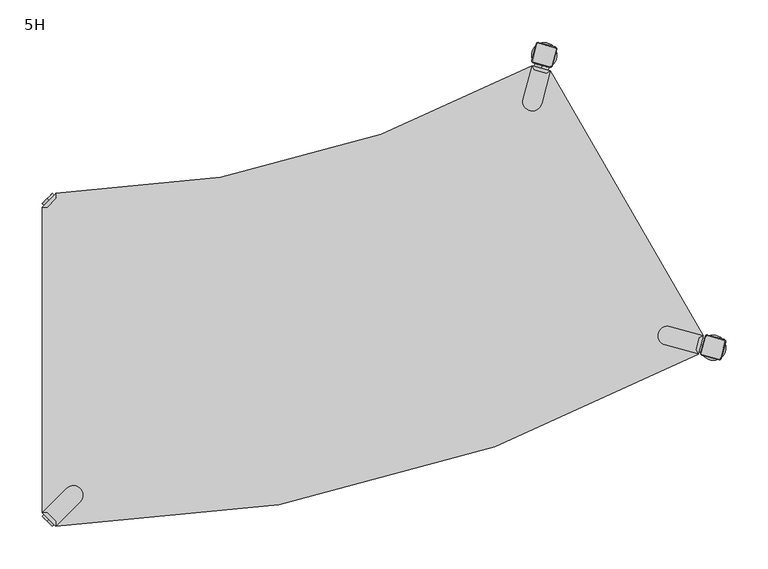
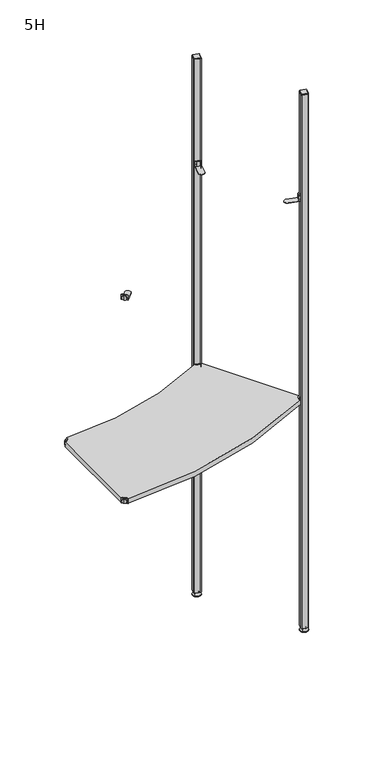
"""IFC4 building model written with IfcOpenShell, lengths in millimetres: furniture geometry, 5H."""

from ifc_helpers import new_model, si_unit, point, frame, frame_2d, origin, place, context, project, spatial, polyline, circle_curve, trimmed, segment, composite_curve, outline, extrude, source, transform, mapped, element, save
from ifc_brep_helpers import plane_surface, cylinder_surface, revolved_surface, advanced_brep


def furniture_5h_e8f38e4f(model_context):
    return source(origin(), model_context, "Body", "SolidModel", [
        advanced_brep(
        [(784.3573865, 207.0864775, 0.0), (810.3381486, 222.0864775, 0.0), (797.3477675, 214.5864775, 0.0), (784.3573865, 207.0864775, 2.0), (810.3381486, 222.0864775, 2.0), (790.4195643, 210.5864775, 9.0), (804.2759707, 218.5864775, 9.0), (793.8836659, 212.5864775, 9.0), (800.8118691, 216.5864775, 9.0), (793.8836659, 212.5864775, 15.0), (800.8118691, 216.5864775, 15.0), (797.3477675, 214.5864775, 15.0)],
        [
            (0, 1, circle_curve(frame((797.3477675, 214.5864775, 0.0), z_axis=(0.0, 0.0, -1.0), x_axis=(0.8660254037844338, 0.5000000000000082, 0.0)), 15.0)),
            (1, 2),
            (2, 0),
            (1, 0, circle_curve(frame((797.3477675, 214.5864775, 0.0), z_axis=(0.0, 0.0, -1.0), x_axis=(0.8660254037844338, 0.5000000000000082, 0.0)), 15.0)),
            (3, 4, circle_curve(frame((797.3477675, 214.5864775, 2.0), z_axis=(0.0, 0.0, -1.0), x_axis=(0.8660254037844338, 0.5000000000000082, 0.0)), 15.0)),
            (4, 1),
            (0, 3),
            (4, 3, circle_curve(frame((797.3477675, 214.5864775, 2.0), z_axis=(0.0, 0.0, -1.0), x_axis=(0.8660254037844338, 0.5000000000000082, 0.0)), 15.0)),
            (5, 6, circle_curve(frame((797.3477675, 214.5864775, 9.0), z_axis=(0.0, 0.0, -1.0), x_axis=(0.8660254037844338, 0.5000000000000082, 0.0)), 8.0)),
            (6, 4),
            (3, 5),
            (6, 5, circle_curve(frame((797.3477675, 214.5864775, 9.0), z_axis=(0.0, 0.0, -1.0), x_axis=(0.8660254037844338, 0.5000000000000082, 0.0)), 8.0)),
            (7, 8, circle_curve(frame((797.3477675, 214.5864775, 9.0), z_axis=(0.0, 0.0, -1.0), x_axis=(0.8660254037844338, 0.5000000000000082, 0.0)), 4.0)),
            (8, 6),
            (5, 7),
            (8, 7, circle_curve(frame((797.3477675, 214.5864775, 9.0), z_axis=(0.0, 0.0, -1.0), x_axis=(0.8660254037844338, 0.5000000000000082, 0.0)), 4.0)),
            (9, 10, circle_curve(frame((797.3477675, 214.5864775, 15.0), z_axis=(0.0, 0.0, -1.0), x_axis=(0.8660254037844338, 0.5000000000000082, 0.0)), 4.0)),
            (10, 8),
            (7, 9),
            (10, 9, circle_curve(frame((797.3477675, 214.5864775, 15.0), z_axis=(0.0, 0.0, -1.0), x_axis=(0.8660254037844338, 0.5000000000000082, 0.0)), 4.0)),
            (11, 10),
            (9, 11),
        ],
        [
            plane_surface(frame((797.3477675, 214.5864775, 0.0), z_axis=(0.0, 0.0, -1.0), x_axis=(0.8660254037844339, 0.5000000000000083, 0.0))),
            cylinder_surface(frame((797.3477675, 214.5864775, 18.6083303), z_axis=(0.0, 0.0, 1.0), x_axis=(0.8660254037844338, 0.5000000000000082, 0.0)), 15.0),
            revolved_surface(polyline([(810.3381486, 222.0864775, 2.0), (804.2759707, 218.5864775, 9.0)]), (797.3477675, 214.5864775, 18.6083303), (0.0, 0.0, 1.0)),
            plane_surface(frame((797.3477675, 214.5864775, 9.0), z_axis=(0.0, 0.0, 1.0), x_axis=(0.8660254037844339, 0.5000000000000083, 0.0))),
            cylinder_surface(frame((797.3477675, 214.5864775, 18.6083303), z_axis=(0.0, 0.0, 1.0), x_axis=(0.8660254037844338, 0.5000000000000082, 0.0)), 4.0),
            plane_surface(frame((797.3477675, 214.5864775, 15.0), z_axis=(0.0, 0.0, 1.0), x_axis=(0.8660254037844339, 0.5000000000000083, 0.0))),
        ],
        [
            (0, [[1, 2, 3]]),
            (0, [[4, -3, -2]]),
            (1, [[5, 6, -1, 7]]),
            (1, [[8, -7, -4, -6]]),
            (2, [[9, 10, -5, 11]]),
            (2, [[12, -11, -8, -10]]),
            (3, [[13, 14, -9, 15]]),
            (3, [[16, -15, -12, -14]]),
            (4, [[17, 18, -13, 19]]),
            (4, [[20, -19, -16, -18]]),
            (5, [[21, -17, 22]]),
            (5, [[-22, -20, -21]]),
        ],
    ),
        advanced_brep(
        [(788.6346258, 227.2739186, 2117.0), (783.4582449, 207.9554021, 2117.0), (784.6603264, 205.8733358, 2117.0), (803.9788429, 200.6969549, 2117.0), (806.0609092, 201.8990364, 2117.0), (811.2372901, 221.2175529, 2117.0), (810.0352086, 223.2996192, 2117.0), (790.7166921, 228.4760001, 2117.0), (787.8618851, 227.4809738, 2115.0), (790.9237473, 229.2487408, 2115.0), (810.2422638, 224.0723599, 2115.0), (812.0100308, 221.0104977, 2115.0), (806.8336499, 201.6919812, 2115.0), (803.7717877, 199.9242142, 2115.0), (784.4532712, 205.1005951, 2115.0), (782.6855042, 208.1624573, 2115.0)],
        [
            (0, 1),
            (1, 2, circle_curve(frame((785.1003188, 207.5154097, 2117.0), z_axis=(0.0, 0.0, 1.0), x_axis=(-0.965925826289073, 0.25881904510250314, 0.0)), 1.7)),
            (2, 3),
            (3, 4, circle_curve(frame((804.4188353, 202.3390288, 2117.0), z_axis=(0.0, 0.0, 1.0), x_axis=(-0.25881904510251363, -0.9659258262890702, 0.0)), 1.7)),
            (4, 5),
            (5, 6, circle_curve(frame((809.5952162, 221.6575453, 2117.0), z_axis=(0.0, 0.0, 1.0), x_axis=(0.9659258262890675, -0.258819045102523, 0.0)), 1.7)),
            (6, 7),
            (7, 0, circle_curve(frame((790.2766997, 226.8339262, 2117.0), z_axis=(0.0, 0.0, 1.0), x_axis=(0.25881904510250914, 0.9659258262890713, 0.0)), 1.7)),
            (8, 9, circle_curve(frame((790.2766997, 226.8339262, 2115.0), z_axis=(0.0, 0.0, -1.0), x_axis=(0.25881904510250914, 0.9659258262890713, 0.0)), 2.5)),
            (9, 10),
            (10, 11, circle_curve(frame((809.5952162, 221.6575453, 2115.0), z_axis=(0.0, 0.0, -1.0), x_axis=(0.9659258262890675, -0.258819045102523, 0.0)), 2.5)),
            (11, 12),
            (12, 13, circle_curve(frame((804.4188353, 202.3390288, 2115.0), z_axis=(0.0, 0.0, -1.0), x_axis=(-0.25881904510251363, -0.9659258262890702, 0.0)), 2.5)),
            (13, 14),
            (14, 15, circle_curve(frame((785.1003188, 207.5154097, 2115.0), z_axis=(0.0, 0.0, -1.0), x_axis=(-0.965925826289073, 0.25881904510250314, 0.0)), 2.5)),
            (15, 8),
            (15, 1),
            (0, 8),
            (14, 2),
            (13, 3),
            (12, 4),
            (11, 5),
            (10, 6),
            (9, 7),
        ],
        [
            plane_surface(frame((797.3477675, 214.5864775, 2117.0), z_axis=(0.0, 0.0, 1.0000000000000002), x_axis=(-0.9659258262890712, 0.2588190451025102, 0.0))),
            plane_surface(frame((797.3477675, 214.5864775, 2115.0), z_axis=(0.0, 0.0, -1.0000000000000002), x_axis=(-0.9659258262890712, 0.2588190451025102, 0.0))),
            plane_surface(frame((785.2736947, 217.8217156, 2115.0), z_axis=(-0.8968396148335178, 0.24030745053486183, 0.37139067635402817), x_axis=(-0.25881904510250225, -0.9659258262890733, 0.0))),
            revolved_surface(polyline([(783.458244872, 207.95540206799998, 2117.0), (782.6855042, 208.1624573, 2115.0)]), (785.1003188, 207.5154097, 2121.25), (0.0, 0.0, -1.0)),
            plane_surface(frame((794.1125294, 202.5124047, 2115.0), z_axis=(-0.2403074505348654, -0.8968396148335208, 0.37139067635401873), x_axis=(0.9659258262890725, -0.2588190451025051, 0.0))),
            revolved_surface(polyline([(803.978842932, 200.696954872, 2117.0), (803.7717877, 199.9242142, 2115.0)]), (804.4188353, 202.3390288, 2121.25), (0.0, 0.0, -1.0)),
            plane_surface(frame((809.4218403, 211.3512394, 2115.0), z_axis=(0.8968396148335338, -0.24030745053487898, 0.3713906763539787), x_axis=(0.25881904510252046, 0.9659258262890684, 0.0))),
            revolved_surface(polyline([(811.2372901279999, 221.21755293200002, 2117.0), (812.0100308, 221.0104977, 2115.0)]), (809.5952162, 221.6575453, 2121.25), (0.0, 0.0, -1.0)),
            plane_surface(frame((800.5830056, 226.6605503, 2115.0), z_axis=(0.24030745053488872, 0.8968396148335293, 0.3713906763539829), x_axis=(-0.9659258262890682, 0.25881904510252096, 0.0))),
            revolved_surface(polyline([(790.7166920679999, 228.476000128, 2117.0), (790.9237473, 229.2487408, 2115.0)]), (790.2766997, 226.8339262, 2121.25), (0.0, 0.0, -1.0)),
        ],
        [
            (0, [[1, 2, 3, 4, 5, 6, 7, 8]]),
            (1, [[9, 10, 11, 12, 13, 14, 15, 16]]),
            (2, [[-16, 17, -1, 18]]),
            (3, [[-15, 19, -2, -17]]),
            (4, [[-14, 20, -3, -19]]),
            (5, [[-13, 21, -4, -20]]),
            (6, [[-12, 22, -5, -21]]),
            (7, [[-11, 23, -6, -22]]),
            (8, [[-10, 24, -7, -23]]),
            (9, [[-9, -18, -8, -24]]),
        ],
    ),
        extrude(outline(composite_curve([segment(trimmed(circle_curve(frame_2d((809.5952162, 221.6575453)), 2.5), [point((810.2422638, 224.0723599))], [point((812.0100308, 221.0104977))], False, "CARTESIAN"), True, "CONTINUOUS"), segment(polyline([(812.0100308, 221.0104977), (806.8336499, 201.6919812)]), True, "CONTINUOUS"), segment(trimmed(circle_curve(frame_2d((804.4188353, 202.3390288)), 2.5), [point((806.8336499, 201.6919812))], [point((803.7717877, 199.9242142))], False, "CARTESIAN"), True, "CONTINUOUS"), segment(polyline([(803.7717877, 199.9242142), (784.4532712, 205.1005951)]), True, "CONTINUOUS"), segment(trimmed(circle_curve(frame_2d((785.1003188, 207.5154097)), 2.5), [point((784.4532712, 205.1005951))], [point((782.6855042, 208.1624573))], False, "CARTESIAN"), True, "CONTINUOUS"), segment(polyline([(782.6855042, 208.1624573), (787.8618851, 227.4809738)]), True, "CONTINUOUS"), segment(trimmed(circle_curve(frame_2d((790.2766997, 226.8339262)), 2.5), [point((787.8618851, 227.4809738))], [point((790.9237473, 229.2487408))], False, "CARTESIAN"), True, "CONTINUOUS"), segment(polyline([(790.9237473, 229.2487408), (810.2422638, 224.0723599)]), True, "CONTINUOUS")], self_intersect=False)), frame((0.0, 0.0, 15.0), z_axis=(0.0, 0.0, 1.0), x_axis=(1.0, 0.0, 0.0)), (0.0, 0.0, 1.0), 2100.0),
        advanced_brep(
        [(584.3575668, 553.4963267, 0.0), (597.3479479, 560.9963267, 0.0), (610.3383289, 568.4963267, 0.0), (584.3575668, 553.4963267, 2.0), (610.3383289, 568.4963267, 2.0), (590.4197446, 556.9963267, 9.0), (604.2761511, 564.9963267, 9.0), (593.8838462, 558.9963267, 9.0), (600.8120495, 562.9963267, 9.0), (593.8838462, 558.9963267, 15.0), (600.8120495, 562.9963267, 15.0), (597.3479479, 560.9963267, 15.0)],
        [
            (0, 1),
            (1, 2),
            (2, 0, circle_curve(frame((597.3479479, 560.9963267, 0.0), z_axis=(0.0, 0.0, -1.0), x_axis=(0.866025403784441, 0.4999999999999961, 0.0)), 15.0)),
            (0, 2, circle_curve(frame((597.3479479, 560.9963267, 0.0), z_axis=(0.0, 0.0, -1.0), x_axis=(0.866025403784441, 0.4999999999999961, 0.0)), 15.0)),
            (3, 0),
            (2, 4),
            (4, 3, circle_curve(frame((597.3479479, 560.9963267, 2.0), z_axis=(0.0, 0.0, -1.0), x_axis=(0.866025403784441, 0.4999999999999961, 0.0)), 15.0)),
            (3, 4, circle_curve(frame((597.3479479, 560.9963267, 2.0), z_axis=(0.0, 0.0, -1.0), x_axis=(0.866025403784441, 0.4999999999999961, 0.0)), 15.0)),
            (5, 3),
            (4, 6),
            (6, 5, circle_curve(frame((597.3479479, 560.9963267, 9.0), z_axis=(0.0, 0.0, -1.0), x_axis=(0.866025403784441, 0.4999999999999961, 0.0)), 8.0)),
            (5, 6, circle_curve(frame((597.3479479, 560.9963267, 9.0), z_axis=(0.0, 0.0, -1.0), x_axis=(0.866025403784441, 0.4999999999999961, 0.0)), 8.0)),
            (7, 5),
            (6, 8),
            (8, 7, circle_curve(frame((597.3479479, 560.9963267, 9.0), z_axis=(0.0, 0.0, -1.0), x_axis=(0.866025403784441, 0.4999999999999961, 0.0)), 4.0)),
            (7, 8, circle_curve(frame((597.3479479, 560.9963267, 9.0), z_axis=(0.0, 0.0, -1.0), x_axis=(0.866025403784441, 0.4999999999999961, 0.0)), 4.0)),
            (9, 7),
            (8, 10),
            (10, 9, circle_curve(frame((597.3479479, 560.9963267, 15.0), z_axis=(0.0, 0.0, -1.0), x_axis=(0.866025403784441, 0.4999999999999961, 0.0)), 4.0)),
            (9, 10, circle_curve(frame((597.3479479, 560.9963267, 15.0), z_axis=(0.0, 0.0, -1.0), x_axis=(0.866025403784441, 0.4999999999999961, 0.0)), 4.0)),
            (11, 9),
            (10, 11),
        ],
        [
            plane_surface(frame((597.3479479, 560.9963267, 0.0), z_axis=(0.0, 0.0, -1.0000000000000002), x_axis=(0.866025403784441, 0.4999999999999961, 0.0))),
            cylinder_surface(frame((597.3479479, 560.9963267, 18.6083303), z_axis=(0.0, 0.0, 1.0), x_axis=(0.866025403784441, 0.4999999999999961, 0.0)), 15.0),
            revolved_surface(polyline([(610.3383289, 568.4963267, 2.0), (604.2761511, 564.9963267, 9.0)]), (597.3479479, 560.9963267, 18.6083303), (0.0, 0.0, 1.0)),
            plane_surface(frame((597.3479479, 560.9963267, 9.0), z_axis=(0.0, 0.0, 1.0000000000000002), x_axis=(0.866025403784441, 0.4999999999999961, 0.0))),
            cylinder_surface(frame((597.3479479, 560.9963267, 18.6083303), z_axis=(0.0, 0.0, 1.0), x_axis=(0.866025403784441, 0.4999999999999961, 0.0)), 4.0),
            plane_surface(frame((597.3479479, 560.9963267, 15.0), z_axis=(0.0, 0.0, 1.0000000000000002), x_axis=(0.866025403784441, 0.4999999999999961, 0.0))),
        ],
        [
            (0, [[1, 2, 3]]),
            (0, [[-2, -1, 4]]),
            (1, [[5, -3, 6, 7]]),
            (1, [[-6, -4, -5, 8]]),
            (2, [[9, -7, 10, 11]]),
            (2, [[-10, -8, -9, 12]]),
            (3, [[13, -11, 14, 15]]),
            (3, [[-14, -12, -13, 16]]),
            (4, [[17, -15, 18, 19]]),
            (4, [[-18, -16, -17, 20]]),
            (5, [[21, -19, 22]]),
            (5, [[-22, -20, -21]]),
        ],
    ),
        advanced_brep(
        [(603.9790233, 547.106804, 2117.0), (606.0610896, 548.3088856, 2117.0), (611.2374705, 567.6274021, 2117.0), (610.0353889, 569.7094684, 2117.0), (590.7168724, 574.8858493, 2117.0), (588.6348061, 573.6837677, 2117.0), (583.4584252, 554.3652512, 2117.0), (584.6605068, 552.2831849, 2117.0), (603.7719681, 546.3340634, 2115.0), (584.4534515, 551.5104443, 2115.0), (582.6856846, 554.5723065, 2115.0), (587.8620655, 573.890823, 2115.0), (590.9239277, 575.6585899, 2115.0), (610.2424442, 570.482209, 2115.0), (612.0102111, 567.4203469, 2115.0), (606.8338302, 548.1018303, 2115.0)],
        [
            (0, 1, circle_curve(frame((604.4190157, 548.7488779, 2117.0), z_axis=(0.0, 0.0, 1.0), x_axis=(0.9659258262890666, -0.2588190451025275, 0.0)), 1.7)),
            (1, 2),
            (2, 3, circle_curve(frame((609.5953966, 568.0673945, 2117.0), z_axis=(0.0, 0.0, 1.0), x_axis=(0.2588190451025136, 0.9659258262890702, 0.0)), 1.7)),
            (3, 4),
            (4, 5, circle_curve(frame((590.27688, 573.2437754, 2117.0), z_axis=(0.0, 0.0, 1.0), x_axis=(-0.9659258262890679, 0.25881904510252307, 0.0)), 1.7)),
            (5, 6),
            (6, 7, circle_curve(frame((585.1004991, 553.9252588, 2117.0), z_axis=(0.0, 0.0, 1.0), x_axis=(-0.2588190451025336, -0.9659258262890651, 0.0)), 1.7)),
            (7, 0),
            (8, 9),
            (9, 10, circle_curve(frame((585.1004991, 553.9252588, 2115.0), z_axis=(0.0, 0.0, -1.0), x_axis=(-0.2588190451025336, -0.9659258262890651, 0.0)), 2.5)),
            (10, 11),
            (11, 12, circle_curve(frame((590.27688, 573.2437754, 2115.0), z_axis=(0.0, 0.0, -1.0), x_axis=(-0.9659258262890679, 0.25881904510252307, 0.0)), 2.5)),
            (12, 13),
            (13, 14, circle_curve(frame((609.5953966, 568.0673945, 2115.0), z_axis=(0.0, 0.0, -1.0), x_axis=(0.2588190451025136, 0.9659258262890702, 0.0)), 2.5)),
            (14, 15),
            (15, 8, circle_curve(frame((604.4190157, 548.7488779, 2115.0), z_axis=(0.0, 0.0, -1.0), x_axis=(0.9659258262890666, -0.2588190451025275, 0.0)), 2.5)),
            (8, 0),
            (7, 9),
            (6, 10),
            (5, 11),
            (4, 12),
            (3, 13),
            (2, 14),
            (1, 15),
        ],
        [
            plane_surface(frame((597.3479479, 560.9963267, 2117.0), z_axis=(0.0, 0.0, 1.0000000000000002), x_axis=(-0.25881904510252657, -0.9659258262890669, 0.0))),
            plane_surface(frame((597.3479479, 560.9963267, 2115.0), z_axis=(0.0, 0.0, -1.0000000000000002), x_axis=(-0.25881904510252657, -0.9659258262890669, 0.0))),
            plane_surface(frame((594.1127098, 548.9222538, 2115.0), z_axis=(-0.24030745053489166, -0.8968396148335098, 0.37139067635402817), x_axis=(-0.9659258262890646, 0.2588190451025344, 0.0))),
            revolved_surface(polyline([(584.660506732, 552.2831849400001, 2117.0), (584.4534515, 551.5104443, 2115.0)]), (585.1004991, 553.9252588, 2121.25), (0.0, 0.0, -1.0)),
            plane_surface(frame((585.273875, 564.2315647, 2115.0), z_axis=(-0.8968396148335143, 0.2403074505348901, 0.37139067635401884), x_axis=(0.2588190451025317, 0.9659258262890655, 0.0))),
            revolved_surface(polyline([(588.63480614, 573.6837677679999, 2117.0), (587.8620655, 573.890823, 2115.0)]), (590.27688, 573.2437754, 2121.25), (0.0, 0.0, -1.0)),
            plane_surface(frame((600.5831859, 573.0703995, 2115.0), z_axis=(0.24030745053488473, 0.8968396148335321, 0.3713906763539787), x_axis=(0.9659258262890695, -0.2588190451025162, 0.0))),
            revolved_surface(polyline([(610.035388968, 569.70946836, 2117.0), (610.2424442, 570.482209, 2115.0)]), (609.5953966, 568.0673945, 2121.25), (0.0, 0.0, -1.0)),
            plane_surface(frame((609.4220207, 557.7610886, 2115.0), z_axis=(0.8968396148335332, -0.24030745053487412, 0.37139067635398293), x_axis=(-0.2588190451025157, -0.9659258262890696, 0.0))),
            revolved_surface(polyline([(606.06108956, 548.308885532, 2117.0), (606.8338302, 548.1018303, 2115.0)]), (604.4190157, 548.7488779, 2121.25), (0.0, 0.0, -1.0)),
        ],
        [
            (0, [[1, 2, 3, 4, 5, 6, 7, 8]]),
            (1, [[9, 10, 11, 12, 13, 14, 15, 16]]),
            (2, [[17, -8, 18, -9]]),
            (3, [[-18, -7, 19, -10]]),
            (4, [[-19, -6, 20, -11]]),
            (5, [[-20, -5, 21, -12]]),
            (6, [[-21, -4, 22, -13]]),
            (7, [[-22, -3, 23, -14]]),
            (8, [[-23, -2, 24, -15]]),
            (9, [[-24, -1, -17, -16]]),
        ],
    ),
        extrude(outline(composite_curve([segment(polyline([(612.0102111, 567.4203469), (606.8338302, 548.1018303)]), True, "CONTINUOUS"), segment(trimmed(circle_curve(frame_2d((604.4190157, 548.7488779)), 2.5), [point((606.8338302, 548.1018303))], [point((603.7719681, 546.3340634))], False, "CARTESIAN"), True, "CONTINUOUS"), segment(polyline([(603.7719681, 546.3340634), (584.4534515, 551.5104443)]), True, "CONTINUOUS"), segment(trimmed(circle_curve(frame_2d((585.1004991, 553.9252588)), 2.5), [point((584.4534515, 551.5104443))], [point((582.6856846, 554.5723065))], False, "CARTESIAN"), True, "CONTINUOUS"), segment(polyline([(582.6856846, 554.5723065), (587.8620655, 573.890823)]), True, "CONTINUOUS"), segment(trimmed(circle_curve(frame_2d((590.27688, 573.2437754)), 2.5), [point((587.8620655, 573.890823))], [point((590.9239277, 575.6585899))], False, "CARTESIAN"), True, "CONTINUOUS"), segment(polyline([(590.9239277, 575.6585899), (610.2424442, 570.482209)]), True, "CONTINUOUS"), segment(trimmed(circle_curve(frame_2d((609.5953966, 568.0673945)), 2.5), [point((610.2424442, 570.482209))], [point((612.0102111, 567.4203469))], False, "CARTESIAN"), True, "CONTINUOUS")], self_intersect=False)), frame((0.0, 0.0, 15.0), z_axis=(0.0, 0.0, 1.0), x_axis=(1.0, 0.0, 0.0)), (0.0, 0.0, 1.0), 2100.0),
        advanced_brep(
        [(10.9601551, 10.9601551, 898.5), (10.9601551, 10.9601551, 907.0), (10.9601551, 10.9601551, 915.5), (8.8388348, 8.8388348, 898.5), (8.8388348, 8.8388348, 915.5), (8.8388348, 8.8388348, 907.0)],
        [
            (0, 1),
            (1, 2),
            (2, 0, circle_curve(frame((10.9601551, 10.9601551, 907.0), z_axis=(0.7071067811865465, 0.7071067811865486, 0.0), x_axis=(0.0, 0.0, 1.0)), 8.5)),
            (0, 2, circle_curve(frame((10.9601551, 10.9601551, 907.0), z_axis=(0.7071067811865465, 0.7071067811865486, 0.0), x_axis=(0.0, 0.0, 1.0)), 8.5)),
            (3, 0),
            (2, 4),
            (4, 3, circle_curve(frame((8.8388348, 8.8388348, 907.0), z_axis=(0.7071067811865465, 0.7071067811865486, 0.0), x_axis=(0.0, 0.0, 1.0)), 8.5)),
            (3, 4, circle_curve(frame((8.8388348, 8.8388348, 907.0), z_axis=(0.7071067811865465, 0.7071067811865486, 0.0), x_axis=(0.0, 0.0, 1.0)), 8.5)),
            (5, 3),
            (4, 5),
        ],
        [
            plane_surface(frame((10.9601551, 10.9601551, 907.0), z_axis=(0.7071067811865461, 0.707106781186549, 0.0), x_axis=(0.0, 0.0, 1.0))),
            cylinder_surface(frame((8.8388348, 8.8388348, 907.0), z_axis=(-0.7071067811865465, -0.7071067811865486, 0.0), x_axis=(0.0, 0.0, 1.0)), 8.5),
            plane_surface(frame((8.8388348, 8.8388348, 907.0), z_axis=(-0.7071067811865461, -0.707106781186549, 0.0), x_axis=(0.0, 0.0, 1.0))),
        ],
        [
            (0, [[1, 2, 3]]),
            (0, [[-2, -1, 4]]),
            (1, [[5, -3, 6, 7]]),
            (1, [[-6, -4, -5, 8]]),
            (2, [[9, -7, 10]]),
            (2, [[-10, -8, -9]]),
        ],
    ),
        advanced_brep(
        [(18.9203102, 3.0, 917.0), (18.9203102, 8.6568542, 917.0), (8.6568542, 18.9203102, 917.0), (3.0, 18.9203102, 917.0), (3.0, 18.9203102, 898.0), (3.0, 18.9203102, 897.0), (18.9203102, 3.0, 897.0), (18.9203102, 3.0, 898.0), (18.9203102, 8.6568542, 898.0), (8.6568542, 18.9203102, 898.0), (47.7297077, 31.8093975, 898.0), (31.8093975, 47.7297077, 898.0), (31.8093975, 47.7297077, 897.0), (47.7297077, 31.8093975, 897.0)],
        [
            (0, 1),
            (1, 2),
            (2, 3),
            (3, 0),
            (3, 4),
            (4, 5),
            (5, 6),
            (6, 7),
            (7, 0),
            (1, 8),
            (8, 9),
            (9, 2),
            (7, 8),
            (9, 4),
            (7, 10),
            (10, 11, circle_curve(frame((39.7695526, 39.7695526, 898.0), z_axis=(0.0, 0.0, 1.0), x_axis=(1.0, 0.0, 0.0)), 11.2573593)),
            (11, 4),
            (5, 12),
            (12, 13, circle_curve(frame((39.7695526, 39.7695526, 897.0), z_axis=(0.0, 0.0, -1.0), x_axis=(1.0, 0.0, 0.0)), 11.2573593)),
            (13, 6),
            (11, 12),
            (10, 13),
        ],
        [
            plane_surface(frame((-38.8756299, 60.7959401, 917.0), z_axis=(0.0, 0.0, 1.0), x_axis=(-0.7071067811865556, 0.7071067811865396, 0.0))),
            plane_surface(frame((18.9203102, 3.0, 917.0), z_axis=(-0.7071067811865396, -0.7071067811865556, 0.0), x_axis=(0.0, 0.0, -1.0))),
            plane_surface(frame((8.6568542, 18.9203102, 917.0), z_axis=(0.7071067811865482, 0.7071067811865468, 0.0), x_axis=(0.0, 0.0, -1.0))),
            plane_surface(frame((18.9203102, 8.6568542, 917.0), z_axis=(1.0, 0.0, 0.0), x_axis=(0.0, 0.0, -1.0))),
            plane_surface(frame((3.0, 18.9203102, 917.0), z_axis=(0.0, 1.0, 0.0), x_axis=(0.0, 0.0, -1.0))),
            plane_surface(frame((3.0, 18.9203102, 898.0), z_axis=(0.0, 0.0, 1.0), x_axis=(-0.7071067811865483, 0.7071067811865467, 0.0))),
            plane_surface(frame((3.0, 18.9203102, 897.0), z_axis=(0.0, 0.0, -1.0), x_axis=(0.7071067811865483, -0.7071067811865467, 0.0))),
            plane_surface(frame((3.0, 18.9203102, 898.0), z_axis=(-0.707106781186549, 0.7071067811865461, 0.0), x_axis=(0.0, 0.0, -1.0))),
            cylinder_surface(frame((39.7695526, 39.7695526, 897.0), z_axis=(0.0, 0.0, 1.0), x_axis=(1.0, 0.0, 0.0)), 11.2573593),
            plane_surface(frame((47.7297077, 31.8093975, 898.0), z_axis=(0.7071067811865479, -0.7071067811865472, 0.0), x_axis=(0.0, 0.0, -1.0))),
        ],
        [
            (0, [[1, 2, 3, 4]]),
            (1, [[5, 6, 7, 8, 9, -4]]),
            (2, [[10, 11, 12, -2]]),
            (3, [[-9, 13, -10, -1]]),
            (4, [[-12, 14, -5, -3]]),
            (5, [[-14, -11, -13, 15, 16, 17]]),
            (6, [[-7, 18, 19, 20]]),
            (7, [[21, -18, -6, -17]]),
            (8, [[22, -19, -21, -16]]),
            (9, [[-8, -20, -22, -15]]),
        ],
    ),
        advanced_brep(
        [(782.7920217, 217.8852702, 898.5), (782.7920217, 217.8852702, 915.5), (782.7920217, 217.8852702, 907.0), (785.6897991, 217.108813, 898.5), (785.6897991, 217.108813, 915.5), (785.6897991, 217.108813, 907.0)],
        [
            (0, 1, circle_curve(frame((782.7920217, 217.8852702, 907.0), z_axis=(-0.9659258262890685, 0.25881904510252, 0.0), x_axis=(0.0, 0.0, 1.0)), 8.5)),
            (1, 2),
            (2, 0),
            (1, 0, circle_curve(frame((782.7920217, 217.8852702, 907.0), z_axis=(-0.9659258262890685, 0.25881904510252, 0.0), x_axis=(0.0, 0.0, 1.0)), 8.5)),
            (3, 4, circle_curve(frame((785.6897991, 217.108813, 907.0), z_axis=(-0.9659258262890685, 0.25881904510252, 0.0), x_axis=(0.0, 0.0, 1.0)), 8.5)),
            (4, 1),
            (0, 3),
            (4, 3, circle_curve(frame((785.6897991, 217.108813, 907.0), z_axis=(-0.9659258262890685, 0.25881904510252, 0.0), x_axis=(0.0, 0.0, 1.0)), 8.5)),
            (5, 4),
            (3, 5),
        ],
        [
            plane_surface(frame((782.7920217, 217.8852702, 907.0), z_axis=(-0.9659258262890684, 0.25881904510252063, 0.0), x_axis=(0.0, 0.0, 1.0))),
            cylinder_surface(frame((785.6897991, 217.108813, 907.0), z_axis=(0.9659258262890685, -0.25881904510252, 0.0), x_axis=(0.0, 0.0, 1.0)), 8.5),
            plane_surface(frame((785.6897991, 217.108813, 907.0), z_axis=(0.9659258262890684, -0.25881904510252063, 0.0), x_axis=(0.0, 0.0, 1.0))),
        ],
        [
            (0, [[1, 2, 3]]),
            (0, [[4, -3, -2]]),
            (1, [[5, 6, -1, 7]]),
            (1, [[8, -7, -4, -6]]),
            (2, [[9, -5, 10]]),
            (2, [[-10, -8, -9]]),
        ],
    ),
        advanced_brep(
        [(779.8784027, 207.0114961, 917.0), (785.7056407, 228.7590443, 917.0), (780.8066612, 225.9306171, 917.0), (777.0499756, 211.9104756, 917.0), (779.8784027, 207.0114961, 898.0), (779.8784027, 207.0114961, 897.0), (785.7056407, 228.7590443, 897.0), (785.7056407, 228.7590443, 898.0), (780.8066612, 225.9306171, 898.0), (777.0499756, 211.9104756, 898.0), (746.3512718, 239.3040156, 898.0), (740.5240338, 217.5564674, 898.0), (740.5240338, 217.5564674, 897.0), (746.3512718, 239.3040156, 897.0)],
        [
            (0, 1),
            (1, 2),
            (2, 3),
            (3, 0),
            (0, 4),
            (4, 5),
            (5, 6),
            (6, 7),
            (7, 1),
            (2, 8),
            (8, 9),
            (9, 3),
            (9, 4),
            (7, 8),
            (7, 10),
            (10, 11, circle_curve(frame((743.4376528, 228.4302415, 898.0), z_axis=(0.0, 0.0, 1.0), x_axis=(-0.8660254037844375, -0.5000000000000021, 0.0)), 11.2573593)),
            (11, 4),
            (5, 12),
            (12, 13, circle_curve(frame((743.4376528, 228.4302415, 897.0), z_axis=(0.0, 0.0, -1.0), x_axis=(-0.8660254037844375, -0.5000000000000021, 0.0)), 11.2573593)),
            (13, 6),
            (13, 10),
            (12, 11),
        ],
        [
            plane_surface(frame((801.033185, 285.9622185, 917.0), z_axis=(0.0, 0.0, 1.0), x_axis=(0.25881904510252957, 0.965925826289066, 0.0))),
            plane_surface(frame((779.8784027, 207.0114961, 917.0), z_axis=(0.965925826289066, -0.25881904510252957, 0.0), x_axis=(0.0, 0.0, -1.0))),
            plane_surface(frame((780.8066612, 225.9306171, 917.0), z_axis=(-0.9659258262890692, 0.2588190451025176, 0.0), x_axis=(0.0, 0.0, -1.0))),
            plane_surface(frame((777.0499756, 211.9104756, 917.0), z_axis=(-0.866025403784462, -0.4999999999999597, 0.0), x_axis=(0.0, 0.0, -1.0))),
            plane_surface(frame((785.7056407, 228.7590443, 917.0), z_axis=(-0.4999999999999963, 0.8660254037844408, 0.0), x_axis=(0.0, 0.0, -1.0))),
            plane_surface(frame((785.7056407, 228.7590443, 898.0), z_axis=(0.0, 0.0, 1.0), x_axis=(0.2588190451025197, 0.9659258262890686, 0.0))),
            plane_surface(frame((785.7056407, 228.7590443, 897.0), z_axis=(0.0, 0.0, -1.0), x_axis=(-0.2588190451025197, -0.9659258262890686, 0.0))),
            plane_surface(frame((785.7056407, 228.7590443, 898.0), z_axis=(0.25881904510252063, 0.9659258262890684, 0.0), x_axis=(0.0, 0.0, -1.0))),
            cylinder_surface(frame((743.4376528, 228.4302415, 897.0), z_axis=(0.0, 0.0, 1.0), x_axis=(-0.8660254037844375, -0.5000000000000021, 0.0)), 11.2573593),
            plane_surface(frame((740.5240338, 217.5564674, 898.0), z_axis=(-0.2588190451025191, -0.9659258262890689, 0.0), x_axis=(0.0, 0.0, -1.0))),
        ],
        [
            (0, [[1, 2, 3, 4]]),
            (1, [[-1, 5, 6, 7, 8, 9]]),
            (2, [[-3, 10, 11, 12]]),
            (3, [[-4, -12, 13, -5]]),
            (4, [[-2, -9, 14, -10]]),
            (5, [[15, 16, 17, -13, -11, -14]]),
            (6, [[18, 19, 20, -7]]),
            (7, [[-15, -8, -20, 21]]),
            (8, [[-16, -21, -19, 22]]),
            (9, [[-17, -22, -18, -6]]),
        ],
    ),
        advanced_brep(
        [(593.7274939, 545.3267511, 898.5), (593.7274939, 545.3267511, 907.0), (593.7274939, 545.3267511, 915.5), (594.503951, 548.2245285, 898.5), (594.503951, 548.2245285, 915.5), (594.503951, 548.2245285, 907.0)],
        [
            (0, 1),
            (1, 2),
            (2, 0, circle_curve(frame((593.7274939, 545.3267511, 907.0), z_axis=(-0.25881904510252524, -0.9659258262890672, 0.0), x_axis=(0.0, 0.0, 1.0)), 8.5)),
            (0, 2, circle_curve(frame((593.7274939, 545.3267511, 907.0), z_axis=(-0.25881904510252524, -0.9659258262890672, 0.0), x_axis=(0.0, 0.0, 1.0)), 8.5)),
            (3, 0),
            (2, 4),
            (4, 3, circle_curve(frame((594.503951, 548.2245285, 907.0), z_axis=(-0.25881904510252524, -0.9659258262890672, 0.0), x_axis=(0.0, 0.0, 1.0)), 8.5)),
            (3, 4, circle_curve(frame((594.503951, 548.2245285, 907.0), z_axis=(-0.25881904510252524, -0.9659258262890672, 0.0), x_axis=(0.0, 0.0, 1.0)), 8.5)),
            (5, 3),
            (4, 5),
        ],
        [
            plane_surface(frame((593.7274939, 545.3267511, 907.0), z_axis=(-0.2588190451025247, -0.9659258262890673, 0.0), x_axis=(0.0, 0.0, 1.0))),
            cylinder_surface(frame((594.503951, 548.2245285, 907.0), z_axis=(0.25881904510252524, 0.9659258262890672, 0.0), x_axis=(0.0, 0.0, 1.0)), 8.5),
            plane_surface(frame((594.503951, 548.2245285, 907.0), z_axis=(0.2588190451025247, 0.9659258262890673, 0.0), x_axis=(0.0, 0.0, 1.0))),
        ],
        [
            (0, [[1, 2, 3]]),
            (0, [[-2, -1, 4]]),
            (1, [[5, -3, 6, 7]]),
            (1, [[-6, -4, -5, 8]]),
            (2, [[9, -7, 10]]),
            (2, [[-10, -8, -9]]),
        ],
    ),
        advanced_brep(
        [(582.8537198, 548.2403701, 917.0), (585.6821469, 543.3413906, 917.0), (599.7022885, 539.584705, 917.0), (604.601268, 542.4131321, 917.0), (604.601268, 542.4131321, 898.0), (604.601268, 542.4131321, 897.0), (582.8537198, 548.2403701, 897.0), (582.8537198, 548.2403701, 898.0), (585.6821469, 543.3413906, 898.0), (599.7022885, 539.584705, 898.0), (572.3087484, 508.8860012, 898.0), (594.0562966, 503.0587632, 898.0), (594.0562966, 503.0587632, 897.0), (572.3087484, 508.8860012, 897.0)],
        [
            (0, 1),
            (1, 2),
            (2, 3),
            (3, 0),
            (3, 4),
            (4, 5),
            (5, 6),
            (6, 7),
            (7, 0),
            (1, 8),
            (8, 9),
            (9, 2),
            (7, 8),
            (9, 4),
            (7, 10),
            (10, 11, circle_curve(frame((583.1825225, 505.9723822, 898.0), z_axis=(0.0, 0.0, 1.0), x_axis=(-0.8660254037844418, -0.49999999999999467, 0.0)), 11.2573593)),
            (11, 4),
            (5, 12),
            (12, 13, circle_curve(frame((583.1825225, 505.9723822, 897.0), z_axis=(0.0, 0.0, -1.0), x_axis=(-0.8660254037844418, -0.49999999999999467, 0.0)), 11.2573593)),
            (13, 6),
            (11, 12),
            (10, 13),
        ],
        [
            plane_surface(frame((661.8044422, 527.0855877, 917.0), z_axis=(0.0, 0.0, 1.0000000000000002), x_axis=(0.9659258262890698, -0.25881904510251574, 0.0))),
            plane_surface(frame((582.8537198, 548.2403701, 917.0), z_axis=(0.25881904510251574, 0.9659258262890698, 0.0), x_axis=(0.0, 0.0, -1.0))),
            plane_surface(frame((599.7022885, 539.584705, 917.0), z_axis=(-0.25881904510252757, -0.9659258262890665, 0.0), x_axis=(0.0, 0.0, -1.0))),
            plane_surface(frame((585.6821469, 543.3413906, 917.0), z_axis=(-0.8660254037844173, -0.5000000000000371, 0.0), x_axis=(0.0, 0.0, -1.0))),
            plane_surface(frame((604.601268, 542.4131321, 917.0), z_axis=(0.5000000000000004, -0.8660254037844385, 0.0), x_axis=(0.0, 0.0, -1.0))),
            plane_surface(frame((604.601268, 542.4131321, 898.0), z_axis=(0.0, 0.0, 1.0), x_axis=(0.9659258262890671, -0.25881904510252546, 0.0))),
            plane_surface(frame((604.601268, 542.4131321, 897.0), z_axis=(0.0, 0.0, -1.0), x_axis=(-0.9659258262890671, 0.25881904510252546, 0.0))),
            plane_surface(frame((604.601268, 542.4131321, 898.0), z_axis=(0.9659258262890673, -0.2588190451025247, 0.0), x_axis=(0.0, 0.0, -1.0))),
            cylinder_surface(frame((583.1825225, 505.9723822, 897.0), z_axis=(0.0, 0.0, 1.0), x_axis=(-0.8660254037844418, -0.49999999999999467, 0.0)), 11.2573593),
            plane_surface(frame((572.3087484, 508.8860012, 898.0), z_axis=(-0.9659258262890669, 0.2588190451025262, 0.0), x_axis=(0.0, 0.0, -1.0))),
        ],
        [
            (0, [[1, 2, 3, 4]]),
            (1, [[5, 6, 7, 8, 9, -4]]),
            (2, [[10, 11, 12, -2]]),
            (3, [[-9, 13, -10, -1]]),
            (4, [[-12, 14, -5, -3]]),
            (5, [[-14, -11, -13, 15, 16, 17]]),
            (6, [[-7, 18, 19, 20]]),
            (7, [[21, -18, -6, -17]]),
            (8, [[22, -19, -21, -16]]),
            (9, [[-8, -20, -22, -15]]),
        ],
    ),
        advanced_brep(
        [(10.9601551, 389.0398449, 898.5), (10.9601551, 389.0398449, 915.5), (10.9601551, 389.0398449, 907.0), (8.8388348, 391.1611652, 898.5), (8.8388348, 391.1611652, 915.5), (8.8388348, 391.1611652, 907.0)],
        [
            (0, 1, circle_curve(frame((10.9601551, 389.0398449, 907.0), z_axis=(0.7071067811865509, -0.7071067811865441, 0.0), x_axis=(0.0, 0.0, 1.0)), 8.5)),
            (1, 2),
            (2, 0),
            (1, 0, circle_curve(frame((10.9601551, 389.0398449, 907.0), z_axis=(0.7071067811865509, -0.7071067811865441, 0.0), x_axis=(0.0, 0.0, 1.0)), 8.5)),
            (3, 4, circle_curve(frame((8.8388348, 391.1611652, 907.0), z_axis=(0.7071067811865509, -0.7071067811865441, 0.0), x_axis=(0.0, 0.0, 1.0)), 8.5)),
            (4, 1),
            (0, 3),
            (4, 3, circle_curve(frame((8.8388348, 391.1611652, 907.0), z_axis=(0.7071067811865509, -0.7071067811865441, 0.0), x_axis=(0.0, 0.0, 1.0)), 8.5)),
            (5, 4),
            (3, 5),
        ],
        [
            plane_surface(frame((10.9601551, 389.0398449, 907.0), z_axis=(0.7071067811865506, -0.7071067811865446, 0.0), x_axis=(0.0, 0.0, 1.0))),
            cylinder_surface(frame((8.8388348, 391.1611652, 907.0), z_axis=(-0.7071067811865509, 0.7071067811865441, 0.0), x_axis=(0.0, 0.0, 1.0)), 8.5),
            plane_surface(frame((8.8388348, 391.1611652, 907.0), z_axis=(-0.7071067811865506, 0.7071067811865446, 0.0), x_axis=(0.0, 0.0, 1.0))),
        ],
        [
            (0, [[1, 2, 3]]),
            (0, [[4, -3, -2]]),
            (1, [[5, 6, -1, 7]]),
            (1, [[8, -7, -4, -6]]),
            (2, [[9, -5, 10]]),
            (2, [[-10, -8, -9]]),
        ],
    ),
        advanced_brep(
        [(18.9203102, 397.0, 917.0), (3.0, 381.0796898, 917.0), (8.6568542, 381.0796898, 917.0), (18.9203102, 391.3431458, 917.0), (18.9203102, 397.0, 898.0), (18.9203102, 397.0, 897.0), (3.0, 381.0796898, 897.0), (3.0, 381.0796898, 898.0), (8.6568542, 381.0796898, 898.0), (18.9203102, 391.3431458, 898.0), (31.8093975, 352.2702923, 898.0), (47.7297077, 368.1906025, 898.0), (47.7297077, 368.1906025, 897.0), (31.8093975, 352.2702923, 897.0)],
        [
            (0, 1),
            (1, 2),
            (2, 3),
            (3, 0),
            (0, 4),
            (4, 5),
            (5, 6),
            (6, 7),
            (7, 1),
            (2, 8),
            (8, 9),
            (9, 3),
            (9, 4),
            (7, 8),
            (7, 10),
            (10, 11, circle_curve(frame((39.7695526, 360.2304474, 898.0), z_axis=(0.0, 0.0, 1.0), x_axis=(1.0, 0.0, 0.0)), 11.2573593)),
            (11, 4),
            (5, 12),
            (12, 13, circle_curve(frame((39.7695526, 360.2304474, 897.0), z_axis=(0.0, 0.0, -1.0), x_axis=(1.0, 0.0, 0.0)), 11.2573593)),
            (13, 6),
            (13, 10),
            (12, 11),
        ],
        [
            plane_surface(frame((-38.8756299, 339.2040599, 917.0), z_axis=(0.0, 0.0, 1.0000000000000002), x_axis=(-0.7071067811865511, -0.707106781186544, 0.0))),
            plane_surface(frame((18.9203102, 397.0, 917.0), z_axis=(-0.707106781186544, 0.7071067811865511, 0.0), x_axis=(0.0, 0.0, -1.0))),
            plane_surface(frame((8.6568542, 381.0796898, 917.0), z_axis=(0.7071067811865527, -0.7071067811865424, 0.0), x_axis=(0.0, 0.0, -1.0))),
            plane_surface(frame((18.9203102, 391.3431458, 917.0), z_axis=(1.0, 0.0, 0.0), x_axis=(0.0, 0.0, -1.0))),
            plane_surface(frame((3.0, 381.0796898, 917.0), z_axis=(0.0, -1.0, 0.0), x_axis=(0.0, 0.0, -1.0))),
            plane_surface(frame((3.0, 381.0796898, 898.0), z_axis=(0.0, 0.0, 1.0), x_axis=(-0.7071067811865439, -0.7071067811865511, 0.0))),
            plane_surface(frame((3.0, 381.0796898, 897.0), z_axis=(0.0, 0.0, -1.0), x_axis=(0.7071067811865439, 0.7071067811865511, 0.0))),
            plane_surface(frame((3.0, 381.0796898, 898.0), z_axis=(-0.7071067811865446, -0.7071067811865506, 0.0), x_axis=(0.0, 0.0, -1.0))),
            cylinder_surface(frame((39.7695526, 360.2304474, 897.0), z_axis=(0.0, 0.0, 1.0), x_axis=(1.0, 0.0, 0.0)), 11.2573593),
            plane_surface(frame((47.7297077, 368.1906025, 898.0), z_axis=(0.7071067811865435, 0.7071067811865517, 0.0), x_axis=(0.0, 0.0, -1.0))),
        ],
        [
            (0, [[1, 2, 3, 4]]),
            (1, [[-1, 5, 6, 7, 8, 9]]),
            (2, [[-3, 10, 11, 12]]),
            (3, [[-4, -12, 13, -5]]),
            (4, [[-2, -9, 14, -10]]),
            (5, [[15, 16, 17, -13, -11, -14]]),
            (6, [[18, 19, 20, -7]]),
            (7, [[-15, -8, -20, 21]]),
            (8, [[-16, -21, -19, 22]]),
            (9, [[-17, -22, -18, -6]]),
        ],
    ),
        extrude(outline(composite_curve([segment(polyline([(3.0, 381.0796898), (8.6568542, 381.0796898), (18.9203102, 391.3431458), (18.9203102, 397.1493369)]), True, "CONTINUOUS"), segment(trimmed(circle_curve(frame_2d((0.0, 1595.6333221)), 1198.6333221), [point((18.9203102, 397.1493369))], [point((582.8586275, 548.2567608))], True, "CARTESIAN"), True, "CONTINUOUS"), segment(polyline([(582.8586275, 548.2567608), (585.6991478, 543.3368352), (599.7022885, 539.584705), (604.609961, 542.418151), (785.7022582, 228.7570914), (780.8066612, 225.9306171), (777.0494272, 211.9084292), (779.8770965, 207.0107625)]), True, "CONTINUOUS"), segment(trimmed(circle_curve(frame_2d((0.0, 1595.6333221)), 1592.6333221), [point((779.8770965, 207.0107625))], [point((18.9203102, 3.1123896))], False, "CARTESIAN"), True, "CONTINUOUS"), segment(polyline([(18.9203102, 3.1123896), (18.9203102, 8.6568542), (8.6568542, 18.9203102), (3.0, 18.9203102), (3.0, 381.0796898)]), True, "CONTINUOUS")], self_intersect=False)), frame((0.0, 0.0, 898.0), z_axis=(0.0, 0.0, 1.0), x_axis=(1.0, 0.0, 0.0)), (0.0, 0.0, 1.0), 19.0),
        advanced_brep(
        [(10.9601551, 10.9601551, 1698.5), (10.9601551, 10.9601551, 1707.0), (10.9601551, 10.9601551, 1715.5), (8.8388348, 8.8388348, 1698.5), (8.8388348, 8.8388348, 1715.5), (8.8388348, 8.8388348, 1707.0)],
        [
            (0, 1),
            (1, 2),
            (2, 0, circle_curve(frame((10.9601551, 10.9601551, 1707.0), z_axis=(0.7071067811865465, 0.7071067811865486, 0.0), x_axis=(0.0, 0.0, 1.0)), 8.5)),
            (0, 2, circle_curve(frame((10.9601551, 10.9601551, 1707.0), z_axis=(0.7071067811865465, 0.7071067811865486, 0.0), x_axis=(0.0, 0.0, 1.0)), 8.5)),
            (3, 0),
            (2, 4),
            (4, 3, circle_curve(frame((8.8388348, 8.8388348, 1707.0), z_axis=(0.7071067811865465, 0.7071067811865486, 0.0), x_axis=(0.0, 0.0, 1.0)), 8.5)),
            (3, 4, circle_curve(frame((8.8388348, 8.8388348, 1707.0), z_axis=(0.7071067811865465, 0.7071067811865486, 0.0), x_axis=(0.0, 0.0, 1.0)), 8.5)),
            (5, 3),
            (4, 5),
        ],
        [
            plane_surface(frame((10.9601551, 10.9601551, 1707.0), z_axis=(0.7071067811865461, 0.707106781186549, 0.0), x_axis=(0.0, 0.0, 1.0))),
            cylinder_surface(frame((8.8388348, 8.8388348, 1707.0), z_axis=(-0.7071067811865465, -0.7071067811865486, 0.0), x_axis=(0.0, 0.0, 1.0)), 8.5),
            plane_surface(frame((8.8388348, 8.8388348, 1707.0), z_axis=(-0.7071067811865461, -0.707106781186549, 0.0), x_axis=(0.0, 0.0, 1.0))),
        ],
        [
            (0, [[1, 2, 3]]),
            (0, [[-2, -1, 4]]),
            (1, [[5, -3, 6, 7]]),
            (1, [[-6, -4, -5, 8]]),
            (2, [[9, -7, 10]]),
            (2, [[-10, -8, -9]]),
        ],
    ),
        advanced_brep(
        [(18.9203102, 3.0, 1717.0), (18.9203102, 8.6568542, 1717.0), (8.6568542, 18.9203102, 1717.0), (3.0, 18.9203102, 1717.0), (3.0, 18.9203102, 1698.0), (3.0, 18.9203102, 1697.0), (18.9203102, 3.0, 1697.0), (18.9203102, 3.0, 1698.0), (18.9203102, 8.6568542, 1698.0), (8.6568542, 18.9203102, 1698.0), (47.7297077, 31.8093975, 1698.0), (31.8093975, 47.7297077, 1698.0), (31.8093975, 47.7297077, 1697.0), (47.7297077, 31.8093975, 1697.0)],
        [
            (0, 1),
            (1, 2),
            (2, 3),
            (3, 0),
            (3, 4),
            (4, 5),
            (5, 6),
            (6, 7),
            (7, 0),
            (1, 8),
            (8, 9),
            (9, 2),
            (7, 8),
            (9, 4),
            (7, 10),
            (10, 11, circle_curve(frame((39.7695526, 39.7695526, 1698.0), z_axis=(0.0, 0.0, 1.0), x_axis=(1.0, 0.0, 0.0)), 11.2573593)),
            (11, 4),
            (5, 12),
            (12, 13, circle_curve(frame((39.7695526, 39.7695526, 1697.0), z_axis=(0.0, 0.0, -1.0), x_axis=(1.0, 0.0, 0.0)), 11.2573593)),
            (13, 6),
            (11, 12),
            (10, 13),
        ],
        [
            plane_surface(frame((-38.8756299, 60.7959401, 1717.0), z_axis=(0.0, 0.0, 1.0), x_axis=(-0.7071067811865556, 0.7071067811865396, 0.0))),
            plane_surface(frame((18.9203102, 3.0, 1717.0), z_axis=(-0.7071067811865396, -0.7071067811865556, 0.0), x_axis=(0.0, 0.0, -1.0))),
            plane_surface(frame((8.6568542, 18.9203102, 1717.0), z_axis=(0.7071067811865482, 0.7071067811865468, 0.0), x_axis=(0.0, 0.0, -1.0))),
            plane_surface(frame((18.9203102, 8.6568542, 1717.0), z_axis=(1.0, 0.0, 0.0), x_axis=(0.0, 0.0, -1.0))),
            plane_surface(frame((3.0, 18.9203102, 1717.0), z_axis=(0.0, 1.0, 0.0), x_axis=(0.0, 0.0, -1.0))),
            plane_surface(frame((3.0, 18.9203102, 1698.0), z_axis=(0.0, 0.0, 1.0), x_axis=(-0.7071067811865483, 0.7071067811865467, 0.0))),
            plane_surface(frame((3.0, 18.9203102, 1697.0), z_axis=(0.0, 0.0, -1.0), x_axis=(0.7071067811865483, -0.7071067811865467, 0.0))),
            plane_surface(frame((3.0, 18.9203102, 1698.0), z_axis=(-0.707106781186549, 0.7071067811865461, 0.0), x_axis=(0.0, 0.0, -1.0))),
            cylinder_surface(frame((39.7695526, 39.7695526, 1697.0), z_axis=(0.0, 0.0, 1.0), x_axis=(1.0, 0.0, 0.0)), 11.2573593),
            plane_surface(frame((47.7297077, 31.8093975, 1698.0), z_axis=(0.7071067811865479, -0.7071067811865472, 0.0), x_axis=(0.0, 0.0, -1.0))),
        ],
        [
            (0, [[1, 2, 3, 4]]),
            (1, [[5, 6, 7, 8, 9, -4]]),
            (2, [[10, 11, 12, -2]]),
            (3, [[-9, 13, -10, -1]]),
            (4, [[-12, 14, -5, -3]]),
            (5, [[-14, -11, -13, 15, 16, 17]]),
            (6, [[-7, 18, 19, 20]]),
            (7, [[21, -18, -6, -17]]),
            (8, [[22, -19, -21, -16]]),
            (9, [[-8, -20, -22, -15]]),
        ],
    ),
        advanced_brep(
        [(782.7920217, 217.8852702, 1698.5), (782.7920217, 217.8852702, 1715.5), (782.7920217, 217.8852702, 1707.0), (785.6897991, 217.108813, 1698.5), (785.6897991, 217.108813, 1715.5), (785.6897991, 217.108813, 1707.0)],
        [
            (0, 1, circle_curve(frame((782.7920217, 217.8852702, 1707.0), z_axis=(-0.9659258262890685, 0.25881904510252, 0.0), x_axis=(0.0, 0.0, 1.0)), 8.5)),
            (1, 2),
            (2, 0),
            (1, 0, circle_curve(frame((782.7920217, 217.8852702, 1707.0), z_axis=(-0.9659258262890685, 0.25881904510252, 0.0), x_axis=(0.0, 0.0, 1.0)), 8.5)),
            (3, 4, circle_curve(frame((785.6897991, 217.108813, 1707.0), z_axis=(-0.9659258262890685, 0.25881904510252, 0.0), x_axis=(0.0, 0.0, 1.0)), 8.5)),
            (4, 1),
            (0, 3),
            (4, 3, circle_curve(frame((785.6897991, 217.108813, 1707.0), z_axis=(-0.9659258262890685, 0.25881904510252, 0.0), x_axis=(0.0, 0.0, 1.0)), 8.5)),
            (5, 4),
            (3, 5),
        ],
        [
            plane_surface(frame((782.7920217, 217.8852702, 1707.0), z_axis=(-0.9659258262890684, 0.25881904510252063, 0.0), x_axis=(0.0, 0.0, 1.0))),
            cylinder_surface(frame((785.6897991, 217.108813, 1707.0), z_axis=(0.9659258262890685, -0.25881904510252, 0.0), x_axis=(0.0, 0.0, 1.0)), 8.5),
            plane_surface(frame((785.6897991, 217.108813, 1707.0), z_axis=(0.9659258262890684, -0.25881904510252063, 0.0), x_axis=(0.0, 0.0, 1.0))),
        ],
        [
            (0, [[1, 2, 3]]),
            (0, [[4, -3, -2]]),
            (1, [[5, 6, -1, 7]]),
            (1, [[8, -7, -4, -6]]),
            (2, [[9, -5, 10]]),
            (2, [[-10, -8, -9]]),
        ],
    ),
        advanced_brep(
        [(779.8784027, 207.0114961, 1717.0), (785.7056407, 228.7590443, 1717.0), (780.8066612, 225.9306171, 1717.0), (777.0499756, 211.9104756, 1717.0), (779.8784027, 207.0114961, 1698.0), (779.8784027, 207.0114961, 1697.0), (785.7056407, 228.7590443, 1697.0), (785.7056407, 228.7590443, 1698.0), (780.8066612, 225.9306171, 1698.0), (777.0499756, 211.9104756, 1698.0), (746.3512718, 239.3040156, 1698.0), (740.5240338, 217.5564674, 1698.0), (740.5240338, 217.5564674, 1697.0), (746.3512718, 239.3040156, 1697.0)],
        [
            (0, 1),
            (1, 2),
            (2, 3),
            (3, 0),
            (0, 4),
            (4, 5),
            (5, 6),
            (6, 7),
            (7, 1),
            (2, 8),
            (8, 9),
            (9, 3),
            (9, 4),
            (7, 8),
            (7, 10),
            (10, 11, circle_curve(frame((743.4376528, 228.4302415, 1698.0), z_axis=(0.0, 0.0, 1.0), x_axis=(-0.8660254037844375, -0.5000000000000021, 0.0)), 11.2573593)),
            (11, 4),
            (5, 12),
            (12, 13, circle_curve(frame((743.4376528, 228.4302415, 1697.0), z_axis=(0.0, 0.0, -1.0), x_axis=(-0.8660254037844375, -0.5000000000000021, 0.0)), 11.2573593)),
            (13, 6),
            (13, 10),
            (12, 11),
        ],
        [
            plane_surface(frame((801.033185, 285.9622185, 1717.0), z_axis=(0.0, 0.0, 1.0), x_axis=(0.25881904510252957, 0.965925826289066, 0.0))),
            plane_surface(frame((779.8784027, 207.0114961, 1717.0), z_axis=(0.965925826289066, -0.25881904510252957, 0.0), x_axis=(0.0, 0.0, -1.0))),
            plane_surface(frame((780.8066612, 225.9306171, 1717.0), z_axis=(-0.9659258262890692, 0.2588190451025176, 0.0), x_axis=(0.0, 0.0, -1.0))),
            plane_surface(frame((777.0499756, 211.9104756, 1717.0), z_axis=(-0.866025403784462, -0.4999999999999597, 0.0), x_axis=(0.0, 0.0, -1.0))),
            plane_surface(frame((785.7056407, 228.7590443, 1717.0), z_axis=(-0.4999999999999963, 0.8660254037844408, 0.0), x_axis=(0.0, 0.0, -1.0))),
            plane_surface(frame((785.7056407, 228.7590443, 1698.0), z_axis=(0.0, 0.0, 1.0), x_axis=(0.2588190451025197, 0.9659258262890686, 0.0))),
            plane_surface(frame((785.7056407, 228.7590443, 1697.0), z_axis=(0.0, 0.0, -1.0), x_axis=(-0.2588190451025197, -0.9659258262890686, 0.0))),
            plane_surface(frame((785.7056407, 228.7590443, 1698.0), z_axis=(0.25881904510252063, 0.9659258262890684, 0.0), x_axis=(0.0, 0.0, -1.0))),
            cylinder_surface(frame((743.4376528, 228.4302415, 1697.0), z_axis=(0.0, 0.0, 1.0), x_axis=(-0.8660254037844375, -0.5000000000000021, 0.0)), 11.2573593),
            plane_surface(frame((740.5240338, 217.5564674, 1698.0), z_axis=(-0.2588190451025191, -0.9659258262890689, 0.0), x_axis=(0.0, 0.0, -1.0))),
        ],
        [
            (0, [[1, 2, 3, 4]]),
            (1, [[-1, 5, 6, 7, 8, 9]]),
            (2, [[-3, 10, 11, 12]]),
            (3, [[-4, -12, 13, -5]]),
            (4, [[-2, -9, 14, -10]]),
            (5, [[15, 16, 17, -13, -11, -14]]),
            (6, [[18, 19, 20, -7]]),
            (7, [[-15, -8, -20, 21]]),
            (8, [[-16, -21, -19, 22]]),
            (9, [[-17, -22, -18, -6]]),
        ],
    ),
        advanced_brep(
        [(593.7274939, 545.3267511, 1698.5), (593.7274939, 545.3267511, 1707.0), (593.7274939, 545.3267511, 1715.5), (594.503951, 548.2245285, 1698.5), (594.503951, 548.2245285, 1715.5), (594.503951, 548.2245285, 1707.0)],
        [
            (0, 1),
            (1, 2),
            (2, 0, circle_curve(frame((593.7274939, 545.3267511, 1707.0), z_axis=(-0.25881904510252524, -0.9659258262890672, 0.0), x_axis=(0.0, 0.0, 1.0)), 8.5)),
            (0, 2, circle_curve(frame((593.7274939, 545.3267511, 1707.0), z_axis=(-0.25881904510252524, -0.9659258262890672, 0.0), x_axis=(0.0, 0.0, 1.0)), 8.5)),
            (3, 0),
            (2, 4),
            (4, 3, circle_curve(frame((594.503951, 548.2245285, 1707.0), z_axis=(-0.25881904510252524, -0.9659258262890672, 0.0), x_axis=(0.0, 0.0, 1.0)), 8.5)),
            (3, 4, circle_curve(frame((594.503951, 548.2245285, 1707.0), z_axis=(-0.25881904510252524, -0.9659258262890672, 0.0), x_axis=(0.0, 0.0, 1.0)), 8.5)),
            (5, 3),
            (4, 5),
        ],
        [
            plane_surface(frame((593.7274939, 545.3267511, 1707.0), z_axis=(-0.2588190451025247, -0.9659258262890673, 0.0), x_axis=(0.0, 0.0, 1.0))),
            cylinder_surface(frame((594.503951, 548.2245285, 1707.0), z_axis=(0.25881904510252524, 0.9659258262890672, 0.0), x_axis=(0.0, 0.0, 1.0)), 8.5),
            plane_surface(frame((594.503951, 548.2245285, 1707.0), z_axis=(0.2588190451025247, 0.9659258262890673, 0.0), x_axis=(0.0, 0.0, 1.0))),
        ],
        [
            (0, [[1, 2, 3]]),
            (0, [[-2, -1, 4]]),
            (1, [[5, -3, 6, 7]]),
            (1, [[-6, -4, -5, 8]]),
            (2, [[9, -7, 10]]),
            (2, [[-10, -8, -9]]),
        ],
    ),
        advanced_brep(
        [(582.8537198, 548.2403701, 1717.0), (585.6821469, 543.3413906, 1717.0), (599.7022885, 539.584705, 1717.0), (604.601268, 542.4131321, 1717.0), (604.601268, 542.4131321, 1698.0), (604.601268, 542.4131321, 1697.0), (582.8537198, 548.2403701, 1697.0), (582.8537198, 548.2403701, 1698.0), (585.6821469, 543.3413906, 1698.0), (599.7022885, 539.584705, 1698.0), (572.3087484, 508.8860012, 1698.0), (594.0562966, 503.0587632, 1698.0), (594.0562966, 503.0587632, 1697.0), (572.3087484, 508.8860012, 1697.0)],
        [
            (0, 1),
            (1, 2),
            (2, 3),
            (3, 0),
            (3, 4),
            (4, 5),
            (5, 6),
            (6, 7),
            (7, 0),
            (1, 8),
            (8, 9),
            (9, 2),
            (7, 8),
            (9, 4),
            (7, 10),
            (10, 11, circle_curve(frame((583.1825225, 505.9723822, 1698.0), z_axis=(0.0, 0.0, 1.0), x_axis=(-0.8660254037844418, -0.49999999999999467, 0.0)), 11.2573593)),
            (11, 4),
            (5, 12),
            (12, 13, circle_curve(frame((583.1825225, 505.9723822, 1697.0), z_axis=(0.0, 0.0, -1.0), x_axis=(-0.8660254037844418, -0.49999999999999467, 0.0)), 11.2573593)),
            (13, 6),
            (11, 12),
            (10, 13),
        ],
        [
            plane_surface(frame((661.8044422, 527.0855877, 1717.0), z_axis=(0.0, 0.0, 1.0000000000000002), x_axis=(0.9659258262890698, -0.25881904510251574, 0.0))),
            plane_surface(frame((582.8537198, 548.2403701, 1717.0), z_axis=(0.25881904510251574, 0.9659258262890698, 0.0), x_axis=(0.0, 0.0, -1.0))),
            plane_surface(frame((599.7022885, 539.584705, 1717.0), z_axis=(-0.25881904510252757, -0.9659258262890665, 0.0), x_axis=(0.0, 0.0, -1.0))),
            plane_surface(frame((585.6821469, 543.3413906, 1717.0), z_axis=(-0.8660254037844173, -0.5000000000000371, 0.0), x_axis=(0.0, 0.0, -1.0))),
            plane_surface(frame((604.601268, 542.4131321, 1717.0), z_axis=(0.5000000000000004, -0.8660254037844385, 0.0), x_axis=(0.0, 0.0, -1.0))),
            plane_surface(frame((604.601268, 542.4131321, 1698.0), z_axis=(0.0, 0.0, 1.0), x_axis=(0.9659258262890671, -0.25881904510252546, 0.0))),
            plane_surface(frame((604.601268, 542.4131321, 1697.0), z_axis=(0.0, 0.0, -1.0), x_axis=(-0.9659258262890671, 0.25881904510252546, 0.0))),
            plane_surface(frame((604.601268, 542.4131321, 1698.0), z_axis=(0.9659258262890673, -0.2588190451025247, 0.0), x_axis=(0.0, 0.0, -1.0))),
            cylinder_surface(frame((583.1825225, 505.9723822, 1697.0), z_axis=(0.0, 0.0, 1.0), x_axis=(-0.8660254037844418, -0.49999999999999467, 0.0)), 11.2573593),
            plane_surface(frame((572.3087484, 508.8860012, 1698.0), z_axis=(-0.9659258262890669, 0.2588190451025262, 0.0), x_axis=(0.0, 0.0, -1.0))),
        ],
        [
            (0, [[1, 2, 3, 4]]),
            (1, [[5, 6, 7, 8, 9, -4]]),
            (2, [[10, 11, 12, -2]]),
            (3, [[-9, 13, -10, -1]]),
            (4, [[-12, 14, -5, -3]]),
            (5, [[-14, -11, -13, 15, 16, 17]]),
            (6, [[-7, 18, 19, 20]]),
            (7, [[21, -18, -6, -17]]),
            (8, [[22, -19, -21, -16]]),
            (9, [[-8, -20, -22, -15]]),
        ],
    ),
    ])


if __name__ == "__main__":
    model = new_model("IFC4")
    model_context = context("Model", 3, world=origin())
    ifc_project = project(units=[si_unit("LENGTHUNIT", "METRE", prefix="MILLI")], contexts=[model_context])
    site = spatial("IfcSite", under=ifc_project)
    building = spatial("IfcBuilding", under=site)
    placement = place(None, origin())
    furniture_5h_shape = furniture_5h_e8f38e4f(model_context)
    element("IfcFurniture", 1, ObjectType="5H", at=placement, inside=building, context=model_context, shape_type="MappedRepresentation", body=[
        mapped(furniture_5h_shape, transform((0.0, 0.0, 0.0), x_axis=(1.0, 0.0, 0.0), y_axis=(0.0, 1.0, 0.0), z_axis=(0.0, 0.0, 1.0))),
    ])
    save(model, "model.ifc")
